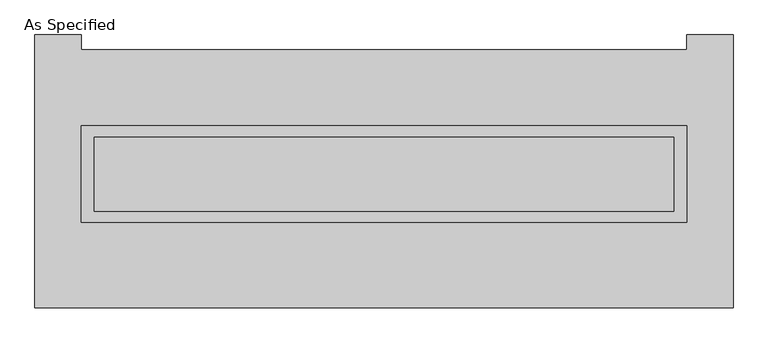
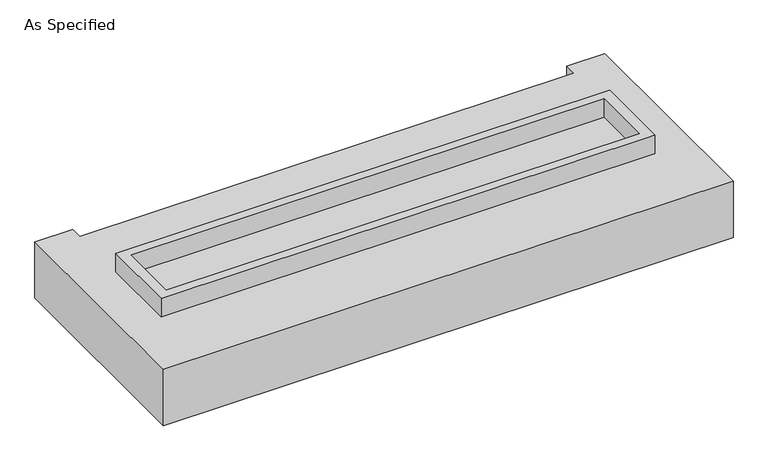
"""IFC4 building model written with IfcOpenShell, lengths in millimetres: proxy geometry, As Specified."""

from ifc_helpers import new_model, si_unit, frame, origin, place, context, project, spatial, polyline, outline, extrude, faceted_brep, source, transform, mapped, element, save


def as_specified_8fbce8ec(model_context):
    return source(origin(), model_context, "Body", "SolidModel", [
        extrude(outline(polyline([(2070.1, 361.95), (2070.1, -298.45), (-2070.1, -298.45), (-2070.1, 361.95), (2070.1, 361.95)]), holes=[polyline([(1981.2, 285.75), (-1981.2, 285.75), (-1981.2, -222.25), (1981.2, -222.25), (1981.2, 285.75)])]), frame((0.0, 0.0, -25.4), z_axis=(0.0, 0.0, 1.0), x_axis=(1.0, 0.0, 0.0)), (0.0, 0.0, 1.0), 165.1),
        extrude(outline(polyline([(1981.2, 285.75), (1981.2, -222.25), (-1981.2, -222.25), (-1981.2, 285.75), (1981.2, 285.75)])), frame((0.0, 0.0, -30.3609375), z_axis=(0.0, 0.0, 1.0), x_axis=(1.0, 0.0, 0.0)), (0.0, 0.0, 1.0), 4.9609375),
        faceted_brep([(2387.6, -882.65, -523.875), (-2387.6, -882.65, -523.875), (-2387.6, 984.25, -523.875), (-2070.1, 984.25, -523.875), (-2070.1, 882.65, -523.875), (2070.1, 882.65, -523.875), (2070.1, 984.25, -523.875), (2387.6, 984.25, -523.875), (-2387.6, -882.65, -25.4), (2387.6, -882.65, -25.4), (2387.6, 984.25, -25.4), (2070.1, 984.25, -25.4), (2070.1, 882.65, -25.4), (-2070.1, 882.65, -25.4), (-2070.1, 984.25, -25.4), (-2387.6, 984.25, -25.4), (-2070.1, -298.45, -25.4), (-2070.1, 361.95, -25.4), (2070.1, 361.95, -25.4), (2070.1, -298.45, -25.4), (2070.1, 361.95, -498.475), (-2070.1, 361.95, -498.475), (-2070.1, -298.45, -498.475), (2070.1, -298.45, -498.475)], [[[0, 1, 2, 3, 4, 5, 6, 7]], [[8, 9, 10, 11, 12, 13, 14, 15], [16, 17, 18, 19]], [[4, 13, 12, 5]], [[1, 8, 15, 2]], [[10, 9, 0, 7]], [[20, 21, 22, 23]], [[22, 21, 17, 16]], [[21, 20, 18, 17]], [[20, 23, 19, 18]], [[16, 19, 23, 22]], [[1, 0, 9, 8]], [[4, 3, 14, 13]], [[3, 2, 15, 14]], [[6, 5, 12, 11]], [[7, 6, 11, 10]]]),
    ])


if __name__ == "__main__":
    model = new_model("IFC4")
    model_context = context("Model", 3, world=origin())
    ifc_project = project(units=[si_unit("LENGTHUNIT", "METRE", prefix="MILLI")], contexts=[model_context])
    site = spatial("IfcSite", under=ifc_project)
    building = spatial("IfcBuilding", under=site)
    placement = place(None, origin())
    as_specified_shape = as_specified_8fbce8ec(model_context)
    element("IfcBuildingElementProxy", 1, Name="As Specified", ObjectType="As Specified", at=placement, inside=building, context=model_context, shape_type="MappedRepresentation", body=[
        mapped(as_specified_shape, transform((0.0, 0.0, 0.0), x_axis=(1.0, 0.0, 0.0), y_axis=(0.0, 1.0, 0.0), z_axis=(0.0, 0.0, 1.0))),
    ])
    save(model, "model.ifc")
